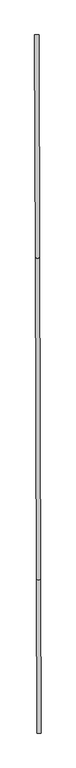
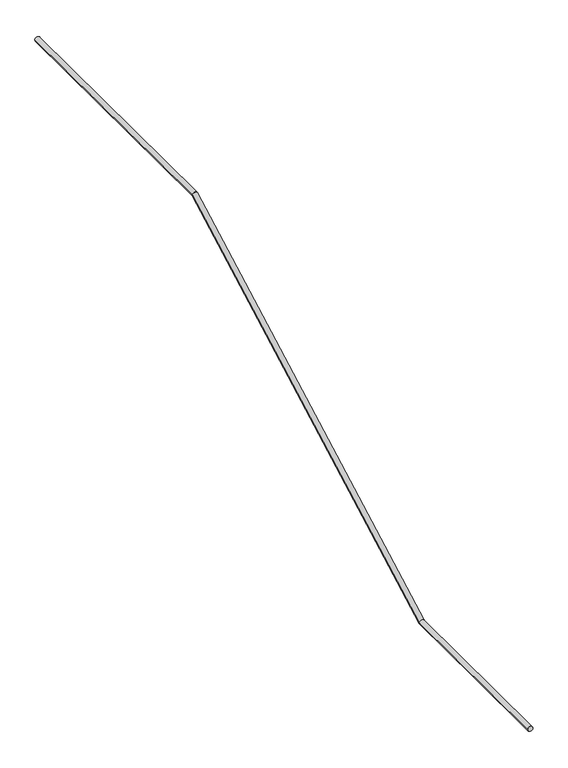
"""IFC4 building model written with IfcOpenShell, lengths in millimetres: railing geometry."""

from ifc_helpers import new_model, si_unit, frame, origin, place, context, project, spatial, circle_curve, ellipse_curve, source, transform, mapped, element, save
from ifc_brep_helpers import plane_surface, cylinder_surface, advanced_brep


def railing_414c0d84(model_context):
    return source(origin(), model_context, "Body", "AdvancedBrep", [
        advanced_brep(
        [(53134.7447318, -23486.4654556, -6120.0), (53094.7449281, -23486.5907793, -6120.0), (53130.23476, -22047.0084291, -6120.0), (53090.2349563, -22047.1337527, -6120.0), (53120.7938153, -19033.7225708, -4460.0), (53080.7940116, -19033.8478944, -4460.0), (53114.2611521, -16948.6789445, -4460.0), (53074.2613484, -16948.8042682, -4460.0)],
        [
            (0, 1, circle_curve(frame((53114.7448299, -23486.5281175, -6120.0), z_axis=(0.003133090857198651, -0.9999950918587954, 0.0), x_axis=(-0.9999950918587954, -0.003133090857198651, 0.0)), 20.0)),
            (1, 0, circle_curve(frame((53114.7448299, -23486.5281175, -6120.0), z_axis=(0.003133090857198651, -0.9999950918587954, 0.0), x_axis=(-0.9999950918587954, -0.003133090857198651, 0.0)), 20.0)),
            (0, 2),
            (2, 3, ellipse_curve(frame((53110.2348581, -22047.0710909, -6120.0), z_axis=(0.003034318984185267, -0.9684698687708879, -0.24911223613303607), x_axis=(0.0007804912694416679, -0.2491110134550049, 0.9684746221810867)), 20.6510316, 20.0)),
            (3, 1),
            (3, 2, ellipse_curve(frame((53110.2348581, -22047.0710909, -6120.0), z_axis=(0.003034318984185267, -0.9684698687708879, -0.24911223613303607), x_axis=(0.0007804912694416679, -0.2491110134550049, 0.9684746221810867)), 20.6510316, 20.0)),
            (2, 4),
            (4, 5, ellipse_curve(frame((53100.7939134, -19033.7852326, -4460.0), z_axis=(0.003034318984186486, -0.9684698687708879, -0.2491122361330361), x_axis=(-0.0007804912694464101, 0.24911101345500578, -0.9684746221810864)), 20.6510316, 20.0)),
            (5, 3),
            (5, 4, ellipse_curve(frame((53100.7939134, -19033.7852326, -4460.0), z_axis=(0.003034318984186486, -0.9684698687708879, -0.2491122361330361), x_axis=(-0.0007804912694464101, 0.24911101345500578, -0.9684746221810864)), 20.6510316, 20.0)),
            (6, 7, circle_curve(frame((53094.2612502, -16948.7416063, -4460.0), z_axis=(-0.0031330908572010123, 0.9999950918587954, 0.0), x_axis=(-0.9999950918587954, -0.0031330908572010123, 0.0)), 20.0)),
            (7, 6, circle_curve(frame((53094.2612502, -16948.7416063, -4460.0), z_axis=(-0.0031330908572010123, 0.9999950918587954, 0.0), x_axis=(-0.9999950918587954, -0.0031330908572010123, 0.0)), 20.0)),
            (4, 6),
            (7, 5),
        ],
        [
            plane_surface(frame((53114.7448299, -23486.5281175, -6120.0), z_axis=(0.0031330908571986513, -0.9999950918587954, 0.0), x_axis=(0.9999950918587954, 0.0031330908571986513, 0.0))),
            cylinder_surface(frame((53114.7448299, -23486.5281175, -6120.0), z_axis=(0.003133090857198651, -0.9999950918587954, 0.0), x_axis=(-0.9999950918587954, -0.003133090857198651, 0.0)), 20.0),
            cylinder_surface(frame((53110.2348581, -22047.0710909, -6120.0), z_axis=(0.0027442310063727987, -0.875881888644509, -0.48251775753925547), x_axis=(-0.9999950918587954, -0.0031330908572001744, 0.0)), 20.0),
            plane_surface(frame((53094.2612502, -16948.7416063, -4460.0), z_axis=(-0.003133090857201011, 0.9999950918587954, 0.0), x_axis=(0.9999950918587954, 0.003133090857201011, 0.0))),
            cylinder_surface(frame((53100.7939134, -19033.7852326, -4460.0), z_axis=(0.0031330908572010123, -0.9999950918587954, 0.0), x_axis=(-0.9999950918587954, -0.0031330908572010123, 0.0)), 20.0),
        ],
        [
            (0, [[1, 2]]),
            (1, [[-1, 3, 4, 5]]),
            (1, [[-2, -5, 6, -3]]),
            (2, [[-4, 7, 8, 9]]),
            (2, [[-6, -9, 10, -7]]),
            (3, [[11, 12]]),
            (4, [[-8, 13, -12, 14]]),
            (4, [[-10, -14, -11, -13]]),
        ],
    ),
    ])


if __name__ == "__main__":
    model = new_model("IFC4")
    model_context = context("Model", 3, world=origin())
    ifc_project = project(units=[si_unit("LENGTHUNIT", "METRE", prefix="MILLI")], contexts=[model_context])
    site = spatial("IfcSite", under=ifc_project)
    building = spatial("IfcBuilding", under=site)
    placement = place(None, origin())
    railing_shape = railing_414c0d84(model_context)
    element("IfcRailing", 1, at=placement, inside=building, context=model_context, shape_type="MappedRepresentation", body=[
        mapped(railing_shape, transform((0.0, 0.0, 0.0), x_axis=(1.0, 0.0, 0.0), y_axis=(0.0, 1.0, 0.0), z_axis=(0.0, 0.0, 1.0))),
    ])
    save(model, "model.ifc")
